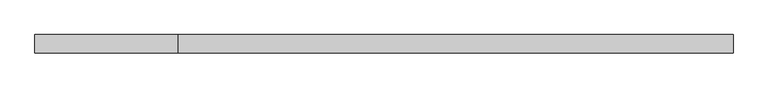
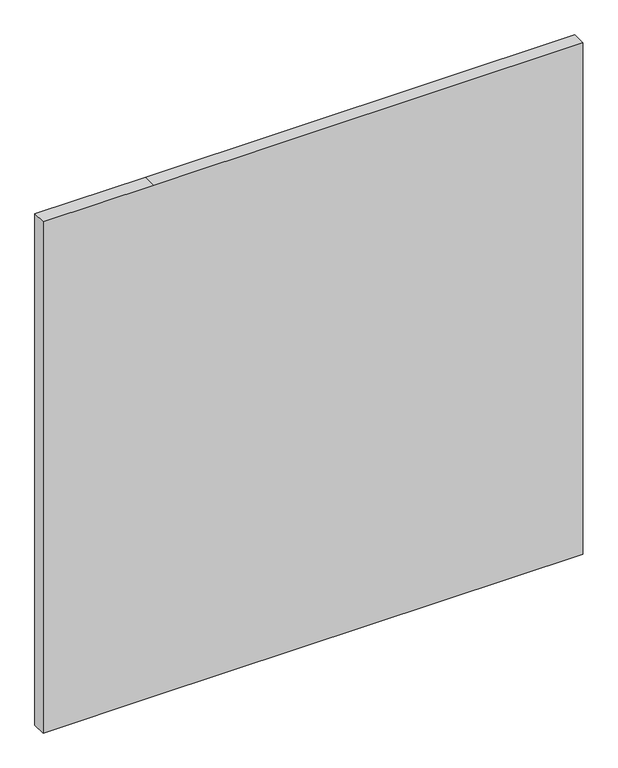
"""IFC4 building model written with IfcOpenShell, lengths in millimetres: plate geometry."""

from ifc_helpers import new_model, si_unit, frame, origin, place, context, project, spatial, polyline, outline, extrude, source, transform, mapped, element, save


def plate_0222aa3d(model_context):
    return source(origin(), model_context, "Body", "SweptSolid", [
        extrude(outline(polyline([(0.0, -670.9320652), (0.0, -395.7065217), (0.0, 670.9320652), (1343.8125, 670.9320652), (1343.8125, -395.7065217), (1343.8125, -670.9320652), (0.0, -670.9320652)])), frame((0.0, -17.5, 0.0), z_axis=(0.0, 1.0, 0.0), x_axis=(0.0, 0.0, 1.0)), (0.0, 0.0, 1.0), 35.0),
    ])


if __name__ == "__main__":
    model = new_model("IFC4")
    model_context = context("Model", 3, world=origin())
    ifc_project = project(units=[si_unit("LENGTHUNIT", "METRE", prefix="MILLI")], contexts=[model_context])
    site = spatial("IfcSite", under=ifc_project)
    building = spatial("IfcBuilding", under=site)
    placement = place(None, origin())
    plate_shape = plate_0222aa3d(model_context)
    element("IfcPlate", 1, at=placement, inside=building, context=model_context, shape_type="MappedRepresentation", body=[
        mapped(plate_shape, transform((0.0, 0.0, 0.0), x_axis=(1.0, 0.0, 0.0), y_axis=(0.0, 1.0, 0.0), z_axis=(0.0, 0.0, 1.0))),
    ])
    save(model, "model.ifc")
